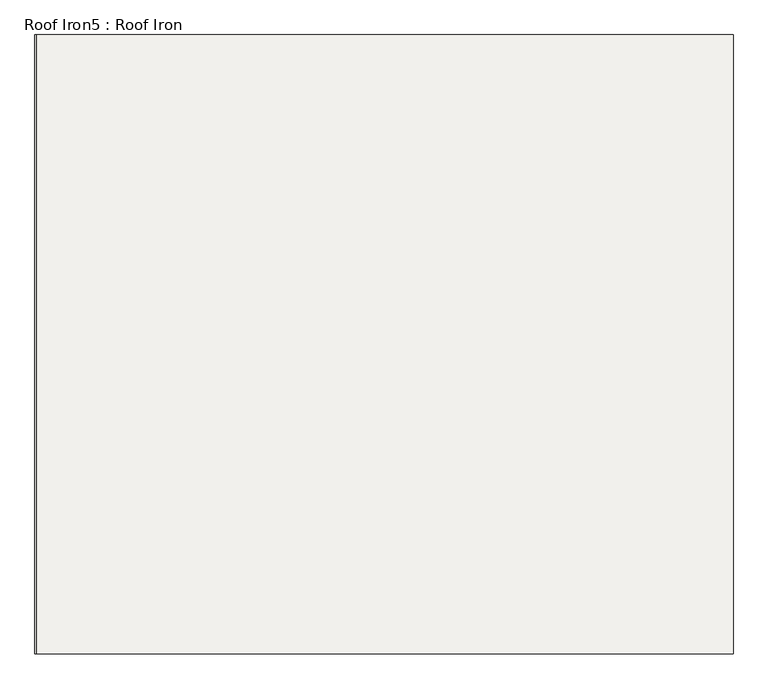
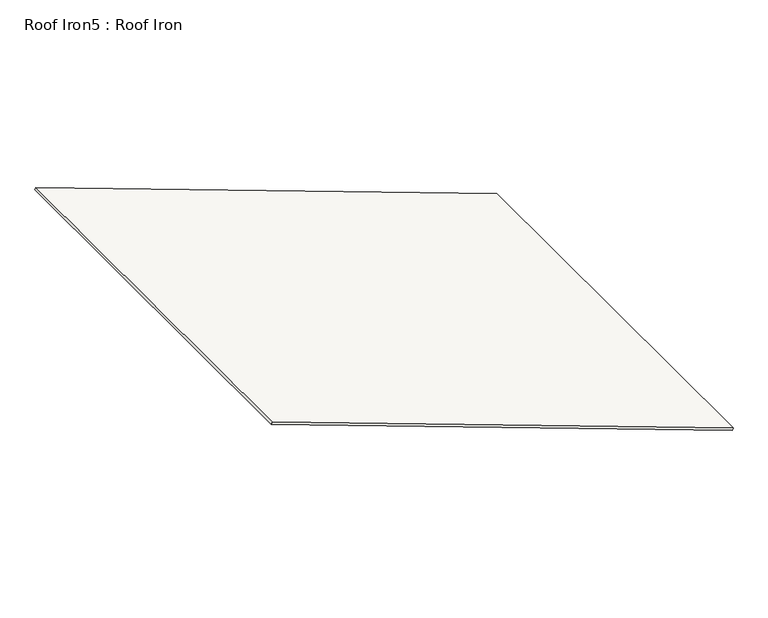
"""IFC4 building model written with IfcOpenShell, lengths in millimetres: roof geometry, Roof Iron5 : Roof Iron."""

from ifc_helpers import new_model, si_unit, frame, origin, place, context, project, spatial, polyline, outline, extrude, source, transform, mapped, element, save


def roof_iron5_roof_iron_c187f8da(model_context):
    return source(origin(), model_context, "Body", "SweptSolid", [
        extrude(outline(polyline([(1479.6561136, 0.0), (1479.6561136, -2160.0), (-1107.6883267, -2160.0), (-1107.6883267, 0.0), (1479.6561136, 0.0)])), frame((553.3270696, -20477.6093549, 500.0723824), z_axis=(0.3420201433256684, 0.0, 0.9396926207859085), x_axis=(0.9396926207859085, 0.0, -0.3420201433256684)), (0.0, 0.0, 1.0), 12.4947422),
    ])


if __name__ == "__main__":
    model = new_model("IFC4")
    model_context = context("Model", 3, world=origin())
    ifc_project = project(units=[si_unit("LENGTHUNIT", "METRE", prefix="MILLI")], contexts=[model_context])
    site = spatial("IfcSite", under=ifc_project)
    building = spatial("IfcBuilding", under=site)
    placement = place(None, origin())
    roof_iron5_roof_iron_shape = roof_iron5_roof_iron_c187f8da(model_context)
    element("IfcRoof", 1, ObjectType="Roof Iron5 : Roof Iron", at=placement, inside=building, context=model_context, shape_type="MappedRepresentation", body=[
        mapped(roof_iron5_roof_iron_shape, transform((0.0, 0.0, 0.0), x_axis=(1.0, 0.0, 0.0), y_axis=(0.0, 1.0, 0.0), z_axis=(0.0, 0.0, 1.0))),
    ])
    save(model, "model.ifc")
